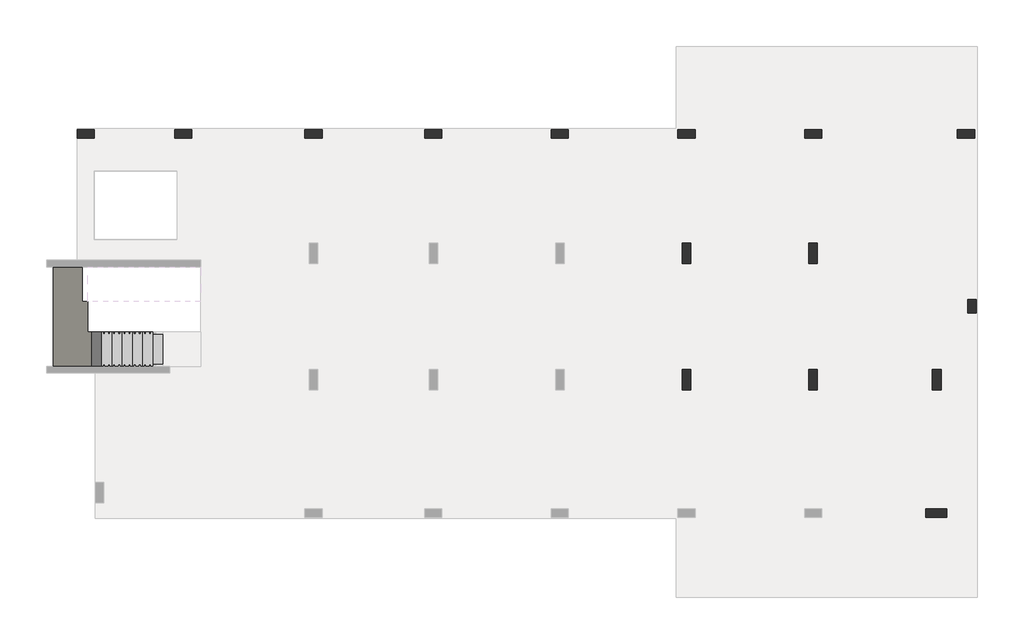
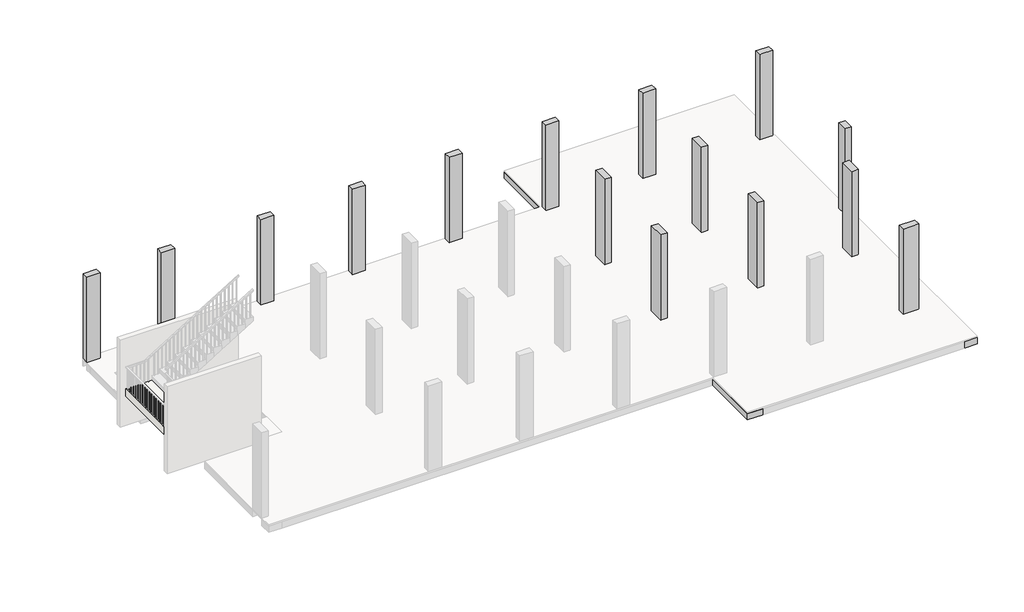
# One storey, part 4 of 5: 53 beams, 15 columns, 1 slab, 1 stair flight.
"""IFC4 building model written with IfcOpenShell, lengths in millimetres."""

from ifc_helpers import new_model, si_unit, frame, origin, place, context, project, spatial, polyline, outline, extrude, faceted_brep, element, save

model = new_model("IFC4")

# Units and contexts
model_context = context("Model", 3, world=origin())
ifc_project = project(units=[si_unit("LENGTHUNIT", "METRE", prefix="MILLI")], contexts=[model_context])

# Site, building, storey
site = spatial("IfcSite", under=ifc_project)
building = spatial("IfcBuilding", under=site)
storey = spatial("IfcBuildingStorey", under=building, Elevation=7000.0)

# Beams
placement = place(None, origin())
element("IfcBeam", 1, ObjectType="B 150 x 250 mm", at=placement, inside=storey, context=model_context, shape_type="SweptSolid", body=[
    extrude(outline(polyline([(21975.0195763, 153.106066), (21825.0195763, 153.106066), (21825.0195763, 2253.106066), (21975.0195763, 2253.106066), (21975.0195763, 153.106066)])), frame((0.0, 0.0, 6700.0), z_axis=(0.0, 0.0, 1.0), x_axis=(1.0, 0.0, 0.0)), (0.0, 0.0, 1.0), 250.0),
])
element("IfcBeam", 2, ObjectType="B 150 x 250 mm", at=placement, inside=storey, context=model_context, shape_type="SweptSolid", body=[
    extrude(outline(polyline([(22525.0195763, 153.106066), (22375.0195763, 153.106066), (22375.0195763, 2253.106066), (22525.0195763, 2253.106066), (22525.0195763, 153.106066)])), frame((0.0, 0.0, 6700.0), z_axis=(0.0, 0.0, 1.0), x_axis=(1.0, 0.0, 0.0)), (0.0, 0.0, 1.0), 250.0),
])
element("IfcBeam", 3, ObjectType="B 150 x 250 mm", at=placement, inside=storey, context=model_context, shape_type="SweptSolid", body=[
    extrude(outline(polyline([(23075.0195763, 153.106066), (22925.0195763, 153.106066), (22925.0195763, 2253.106066), (23075.0195763, 2253.106066), (23075.0195763, 153.106066)])), frame((0.0, 0.0, 6700.0), z_axis=(0.0, 0.0, 1.0), x_axis=(1.0, 0.0, 0.0)), (0.0, 0.0, 1.0), 250.0),
])
element("IfcBeam", 4, ObjectType="B 150 x 250 mm", at=placement, inside=storey, context=model_context, shape_type="SweptSolid", body=[
    extrude(outline(polyline([(23625.0195763, 153.106066), (23475.0195763, 153.106066), (23475.0195763, 2253.106066), (23625.0195763, 2253.106066), (23625.0195763, 153.106066)])), frame((0.0, 0.0, 6700.0), z_axis=(0.0, 0.0, 1.0), x_axis=(1.0, 0.0, 0.0)), (0.0, 0.0, 1.0), 250.0),
])
element("IfcBeam", 5, ObjectType="B 150 x 250 mm", at=placement, inside=storey, context=model_context, shape_type="SweptSolid", body=[
    extrude(outline(polyline([(24175.0195763, 153.106066), (24025.0195763, 153.106066), (24025.0195763, 2253.106066), (24175.0195763, 2253.106066), (24175.0195763, 153.106066)])), frame((0.0, 0.0, 6700.0), z_axis=(0.0, 0.0, 1.0), x_axis=(1.0, 0.0, 0.0)), (0.0, 0.0, 1.0), 250.0),
])
element("IfcBeam", 6, ObjectType="B 150 x 250 mm", at=placement, inside=storey, context=model_context, shape_type="SweptSolid", body=[
    extrude(outline(polyline([(24725.0195763, 153.106066), (24575.0195763, 153.106066), (24575.0195763, 2253.106066), (24725.0195763, 2253.106066), (24725.0195763, 153.106066)])), frame((0.0, 0.0, 6700.0), z_axis=(0.0, 0.0, 1.0), x_axis=(1.0, 0.0, 0.0)), (0.0, 0.0, 1.0), 250.0),
])
element("IfcBeam", 7, ObjectType="B 150 x 250 mm", at=placement, inside=storey, context=model_context, shape_type="SweptSolid", body=[
    extrude(outline(polyline([(25275.0195763, 153.106066), (25125.0195763, 153.106066), (25125.0195763, 2253.106066), (25275.0195763, 2253.106066), (25275.0195763, 153.106066)])), frame((0.0, 0.0, 6700.0), z_axis=(0.0, 0.0, 1.0), x_axis=(1.0, 0.0, 0.0)), (0.0, 0.0, 1.0), 250.0),
])
element("IfcBeam", 8, ObjectType="B 150 x 250 mm", at=placement, inside=storey, context=model_context, shape_type="SweptSolid", body=[
    extrude(outline(polyline([(18375.0390798, 153.106066), (18225.0390798, 153.106066), (18225.0390798, 2253.106066), (18375.0390798, 2253.106066), (18375.0390798, 153.106066)])), frame((0.0, 0.0, 6700.0), z_axis=(0.0, 0.0, 1.0), x_axis=(1.0, 0.0, 0.0)), (0.0, 0.0, 1.0), 250.0),
])
element("IfcBeam", 9, ObjectType="B 150 x 250 mm", at=placement, inside=storey, context=model_context, shape_type="SweptSolid", body=[
    extrude(outline(polyline([(18925.0390798, 153.106066), (18775.0390798, 153.106066), (18775.0390798, 2253.106066), (18925.0390798, 2253.106066), (18925.0390798, 153.106066)])), frame((0.0, 0.0, 6700.0), z_axis=(0.0, 0.0, 1.0), x_axis=(1.0, 0.0, 0.0)), (0.0, 0.0, 1.0), 250.0),
])
element("IfcBeam", 10, ObjectType="B 150 x 250 mm", at=placement, inside=storey, context=model_context, shape_type="SweptSolid", body=[
    extrude(outline(polyline([(19475.0390798, 153.106066), (19325.0390798, 153.106066), (19325.0390798, 2253.106066), (19475.0390798, 2253.106066), (19475.0390798, 153.106066)])), frame((0.0, 0.0, 6700.0), z_axis=(0.0, 0.0, 1.0), x_axis=(1.0, 0.0, 0.0)), (0.0, 0.0, 1.0), 250.0),
])
element("IfcBeam", 11, ObjectType="B 150 x 250 mm", at=placement, inside=storey, context=model_context, shape_type="SweptSolid", body=[
    extrude(outline(polyline([(20025.0390798, 153.106066), (19875.0390798, 153.106066), (19875.0390798, 2253.106066), (20025.0390798, 2253.106066), (20025.0390798, 153.106066)])), frame((0.0, 0.0, 6700.0), z_axis=(0.0, 0.0, 1.0), x_axis=(1.0, 0.0, 0.0)), (0.0, 0.0, 1.0), 250.0),
])
element("IfcBeam", 12, ObjectType="B 150 x 250 mm", at=placement, inside=storey, context=model_context, shape_type="SweptSolid", body=[
    extrude(outline(polyline([(20575.0390798, 153.106066), (20425.0390798, 153.106066), (20425.0390798, 2253.106066), (20575.0390798, 2253.106066), (20575.0390798, 153.106066)])), frame((0.0, 0.0, 6700.0), z_axis=(0.0, 0.0, 1.0), x_axis=(1.0, 0.0, 0.0)), (0.0, 0.0, 1.0), 250.0),
])
element("IfcBeam", 13, ObjectType="B 150 x 250 mm", at=placement, inside=storey, context=model_context, shape_type="SweptSolid", body=[
    extrude(outline(polyline([(21825.0195763, -346.893934), (21975.0195763, -346.893934), (21975.0195763, -3096.893934), (21825.0195763, -3096.893934), (21825.0195763, -346.893934)])), frame((0.0, 0.0, 6700.0), z_axis=(0.0, 0.0, 1.0), x_axis=(1.0, 0.0, 0.0)), (0.0, 0.0, 1.0), 250.0),
])
element("IfcBeam", 14, ObjectType="B 150 x 250 mm", at=placement, inside=storey, context=model_context, shape_type="SweptSolid", body=[
    extrude(outline(polyline([(22375.0195763, -346.893934), (22525.0195763, -346.893934), (22525.0195763, -3096.893934), (22375.0195763, -3096.893934), (22375.0195763, -346.893934)])), frame((0.0, 0.0, 6700.0), z_axis=(0.0, 0.0, 1.0), x_axis=(1.0, 0.0, 0.0)), (0.0, 0.0, 1.0), 250.0),
])
element("IfcBeam", 15, ObjectType="B 150 x 250 mm", at=placement, inside=storey, context=model_context, shape_type="SweptSolid", body=[
    extrude(outline(polyline([(22925.0195763, -346.893934), (23075.0195763, -346.893934), (23075.0195763, -3096.893934), (22925.0195763, -3096.893934), (22925.0195763, -346.893934)])), frame((0.0, 0.0, 6700.0), z_axis=(0.0, 0.0, 1.0), x_axis=(1.0, 0.0, 0.0)), (0.0, 0.0, 1.0), 250.0),
])
element("IfcBeam", 16, ObjectType="B 150 x 250 mm", at=placement, inside=storey, context=model_context, shape_type="SweptSolid", body=[
    extrude(outline(polyline([(23475.0195763, -346.893934), (23625.0195763, -346.893934), (23625.0195763, -3096.893934), (23475.0195763, -3096.893934), (23475.0195763, -346.893934)])), frame((0.0, 0.0, 6700.0), z_axis=(0.0, 0.0, 1.0), x_axis=(1.0, 0.0, 0.0)), (0.0, 0.0, 1.0), 250.0),
])
element("IfcBeam", 17, ObjectType="B 150 x 250 mm", at=placement, inside=storey, context=model_context, shape_type="SweptSolid", body=[
    extrude(outline(polyline([(24025.0195763, -346.893934), (24175.0195763, -346.893934), (24175.0195763, -3096.893934), (24025.0195763, -3096.893934), (24025.0195763, -346.893934)])), frame((0.0, 0.0, 6700.0), z_axis=(0.0, 0.0, 1.0), x_axis=(1.0, 0.0, 0.0)), (0.0, 0.0, 1.0), 250.0),
])
element("IfcBeam", 18, ObjectType="B 150 x 250 mm", at=placement, inside=storey, context=model_context, shape_type="SweptSolid", body=[
    extrude(outline(polyline([(24575.0195763, -346.893934), (24725.0195763, -346.893934), (24725.0195763, -3096.893934), (24575.0195763, -3096.893934), (24575.0195763, -346.893934)])), frame((0.0, 0.0, 6700.0), z_axis=(0.0, 0.0, 1.0), x_axis=(1.0, 0.0, 0.0)), (0.0, 0.0, 1.0), 250.0),
])
element("IfcBeam", 19, ObjectType="B 150 x 250 mm", at=placement, inside=storey, context=model_context, shape_type="SweptSolid", body=[
    extrude(outline(polyline([(25125.0195763, -346.893934), (25275.0195763, -346.893934), (25275.0195763, -3096.893934), (25125.0195763, -3096.893934), (25125.0195763, -346.893934)])), frame((0.0, 0.0, 6700.0), z_axis=(0.0, 0.0, 1.0), x_axis=(1.0, 0.0, 0.0)), (0.0, 0.0, 1.0), 250.0),
])
element("IfcBeam", 20, ObjectType="B 150 x 250 mm", at=placement, inside=storey, context=model_context, shape_type="SweptSolid", body=[
    extrude(outline(polyline([(18225.0390798, -346.893934), (18375.0390798, -346.893934), (18375.0390798, -3096.893934), (18225.0390798, -3096.893934), (18225.0390798, -346.893934)])), frame((0.0, 0.0, 6700.0), z_axis=(0.0, 0.0, 1.0), x_axis=(1.0, 0.0, 0.0)), (0.0, 0.0, 1.0), 250.0),
])
element("IfcBeam", 21, ObjectType="B 150 x 250 mm", at=placement, inside=storey, context=model_context, shape_type="SweptSolid", body=[
    extrude(outline(polyline([(18775.0390798, -346.893934), (18925.0390798, -346.893934), (18925.0390798, -3096.893934), (18775.0390798, -3096.893934), (18775.0390798, -346.893934)])), frame((0.0, 0.0, 6700.0), z_axis=(0.0, 0.0, 1.0), x_axis=(1.0, 0.0, 0.0)), (0.0, 0.0, 1.0), 250.0),
])
element("IfcBeam", 22, ObjectType="B 150 x 250 mm", at=placement, inside=storey, context=model_context, shape_type="SweptSolid", body=[
    extrude(outline(polyline([(19325.0390798, -346.893934), (19475.0390798, -346.893934), (19475.0390798, -3096.893934), (19325.0390798, -3096.893934), (19325.0390798, -346.893934)])), frame((0.0, 0.0, 6700.0), z_axis=(0.0, 0.0, 1.0), x_axis=(1.0, 0.0, 0.0)), (0.0, 0.0, 1.0), 250.0),
])
element("IfcBeam", 23, ObjectType="B 150 x 250 mm", at=placement, inside=storey, context=model_context, shape_type="SweptSolid", body=[
    extrude(outline(polyline([(19875.0390798, -346.893934), (20025.0390798, -346.893934), (20025.0390798, -3096.893934), (19875.0390798, -3096.893934), (19875.0390798, -346.893934)])), frame((0.0, 0.0, 6700.0), z_axis=(0.0, 0.0, 1.0), x_axis=(1.0, 0.0, 0.0)), (0.0, 0.0, 1.0), 250.0),
])
element("IfcBeam", 24, ObjectType="B 150 x 250 mm", at=placement, inside=storey, context=model_context, shape_type="SweptSolid", body=[
    extrude(outline(polyline([(20425.0390798, -346.893934), (20575.0390798, -346.893934), (20575.0390798, -3096.893934), (20425.0390798, -3096.893934), (20425.0390798, -346.893934)])), frame((0.0, 0.0, 6700.0), z_axis=(0.0, 0.0, 1.0), x_axis=(1.0, 0.0, 0.0)), (0.0, 0.0, 1.0), 250.0),
])
element("IfcBeam", 25, ObjectType="B 150 x 250 mm", at=placement, inside=storey, context=model_context, shape_type="SweptSolid", body=[
    extrude(outline(polyline([(21825.0195763, -3896.893934), (21975.0195763, -3896.893934), (21975.0195763, -6796.8939341), (21825.0195763, -6796.8939341), (21825.0195763, -3896.893934)])), frame((0.0, 0.0, 6700.0), z_axis=(0.0, 0.0, 1.0), x_axis=(1.0, 0.0, 0.0)), (0.0, 0.0, 1.0), 250.0),
])
element("IfcBeam", 26, ObjectType="B 150 x 250 mm", at=placement, inside=storey, context=model_context, shape_type="SweptSolid", body=[
    extrude(outline(polyline([(22375.0195763, -3896.893934), (22525.0195763, -3896.893934), (22525.0195763, -6796.8939341), (22375.0195763, -6796.8939341), (22375.0195763, -3896.893934)])), frame((0.0, 0.0, 6700.0), z_axis=(0.0, 0.0, 1.0), x_axis=(1.0, 0.0, 0.0)), (0.0, 0.0, 1.0), 250.0),
])
element("IfcBeam", 27, ObjectType="B 150 x 250 mm", at=placement, inside=storey, context=model_context, shape_type="SweptSolid", body=[
    extrude(outline(polyline([(22925.0195763, -3896.893934), (23075.0195763, -3896.893934), (23075.0195763, -6796.8939341), (22925.0195763, -6796.8939341), (22925.0195763, -3896.893934)])), frame((0.0, 0.0, 6700.0), z_axis=(0.0, 0.0, 1.0), x_axis=(1.0, 0.0, 0.0)), (0.0, 0.0, 1.0), 250.0),
])
element("IfcBeam", 28, ObjectType="B 150 x 250 mm", at=placement, inside=storey, context=model_context, shape_type="SweptSolid", body=[
    extrude(outline(polyline([(23475.0195763, -3896.893934), (23625.0195763, -3896.893934), (23625.0195763, -6796.8939341), (23475.0195763, -6796.8939341), (23475.0195763, -3896.893934)])), frame((0.0, 0.0, 6700.0), z_axis=(0.0, 0.0, 1.0), x_axis=(1.0, 0.0, 0.0)), (0.0, 0.0, 1.0), 250.0),
])
element("IfcBeam", 29, ObjectType="B 150 x 250 mm", at=placement, inside=storey, context=model_context, shape_type="SweptSolid", body=[
    extrude(outline(polyline([(24025.0195763, -3896.893934), (24175.0195763, -3896.893934), (24175.0195763, -6796.8939341), (24025.0195763, -6796.8939341), (24025.0195763, -3896.893934)])), frame((0.0, 0.0, 6700.0), z_axis=(0.0, 0.0, 1.0), x_axis=(1.0, 0.0, 0.0)), (0.0, 0.0, 1.0), 250.0),
])
element("IfcBeam", 30, ObjectType="B 150 x 250 mm", at=placement, inside=storey, context=model_context, shape_type="SweptSolid", body=[
    extrude(outline(polyline([(24575.0195763, -3896.893934), (24725.0195763, -3896.893934), (24725.0195763, -6796.8939341), (24575.0195763, -6796.8939341), (24575.0195763, -3896.893934)])), frame((0.0, 0.0, 6700.0), z_axis=(0.0, 0.0, 1.0), x_axis=(1.0, 0.0, 0.0)), (0.0, 0.0, 1.0), 250.0),
])
element("IfcBeam", 31, ObjectType="B 150 x 250 mm", at=placement, inside=storey, context=model_context, shape_type="SweptSolid", body=[
    extrude(outline(polyline([(25125.0195763, -3896.893934), (25275.0195763, -3896.893934), (25275.0195763, -6796.8939341), (25125.0195763, -6796.8939341), (25125.0195763, -3896.893934)])), frame((0.0, 0.0, 6700.0), z_axis=(0.0, 0.0, 1.0), x_axis=(1.0, 0.0, 0.0)), (0.0, 0.0, 1.0), 250.0),
])
element("IfcBeam", 32, ObjectType="B 150 x 250 mm", at=placement, inside=storey, context=model_context, shape_type="SweptSolid", body=[
    extrude(outline(polyline([(18225.0390798, -3896.893934), (18375.0390798, -3896.893934), (18375.0390798, -6796.8939341), (18225.0390798, -6796.8939341), (18225.0390798, -3896.893934)])), frame((0.0, 0.0, 6700.0), z_axis=(0.0, 0.0, 1.0), x_axis=(1.0, 0.0, 0.0)), (0.0, 0.0, 1.0), 250.0),
])
element("IfcBeam", 33, ObjectType="B 150 x 250 mm", at=placement, inside=storey, context=model_context, shape_type="SweptSolid", body=[
    extrude(outline(polyline([(18775.0390798, -3896.893934), (18925.0390798, -3896.893934), (18925.0390798, -6796.8939341), (18775.0390798, -6796.8939341), (18775.0390798, -3896.893934)])), frame((0.0, 0.0, 6700.0), z_axis=(0.0, 0.0, 1.0), x_axis=(1.0, 0.0, 0.0)), (0.0, 0.0, 1.0), 250.0),
])
element("IfcBeam", 34, ObjectType="B 150 x 250 mm", at=placement, inside=storey, context=model_context, shape_type="SweptSolid", body=[
    extrude(outline(polyline([(19325.0390798, -3896.893934), (19475.0390798, -3896.893934), (19475.0390798, -6796.8939341), (19325.0390798, -6796.8939341), (19325.0390798, -3896.893934)])), frame((0.0, 0.0, 6700.0), z_axis=(0.0, 0.0, 1.0), x_axis=(1.0, 0.0, 0.0)), (0.0, 0.0, 1.0), 250.0),
])
element("IfcBeam", 35, ObjectType="B 150 x 250 mm", at=placement, inside=storey, context=model_context, shape_type="SweptSolid", body=[
    extrude(outline(polyline([(19875.0390798, -3896.893934), (20025.0390798, -3896.893934), (20025.0390798, -6796.8939341), (19875.0390798, -6796.8939341), (19875.0390798, -3896.893934)])), frame((0.0, 0.0, 6700.0), z_axis=(0.0, 0.0, 1.0), x_axis=(1.0, 0.0, 0.0)), (0.0, 0.0, 1.0), 250.0),
])
element("IfcBeam", 36, ObjectType="B 150 x 250 mm", at=placement, inside=storey, context=model_context, shape_type="SweptSolid", body=[
    extrude(outline(polyline([(20425.0390798, -3896.893934), (20575.0390798, -3896.893934), (20575.0390798, -6796.8939341), (20425.0390798, -6796.8939341), (20425.0390798, -3896.893934)])), frame((0.0, 0.0, 6700.0), z_axis=(0.0, 0.0, 1.0), x_axis=(1.0, 0.0, 0.0)), (0.0, 0.0, 1.0), 250.0),
])
element("IfcBeam", 37, ObjectType="B 150 x 250 mm", at=placement, inside=storey, context=model_context, shape_type="SweptSolid", body=[
    extrude(outline(polyline([(22375.0195763, -7596.8939341), (22525.0195763, -7596.8939341), (22525.0195763, -10746.893934), (22375.0195763, -10746.893934), (22375.0195763, -7596.8939341)])), frame((0.0, 0.0, 6700.0), z_axis=(0.0, 0.0, 1.0), x_axis=(1.0, 0.0, 0.0)), (0.0, 0.0, 1.0), 250.0),
])
element("IfcBeam", 38, ObjectType="B 150 x 250 mm", at=placement, inside=storey, context=model_context, shape_type="SweptSolid", body=[
    extrude(outline(polyline([(22925.0195763, -7596.8939341), (23075.0195763, -7596.8939341), (23075.0195763, -10746.893934), (22925.0195763, -10746.893934), (22925.0195763, -7596.8939341)])), frame((0.0, 0.0, 6700.0), z_axis=(0.0, 0.0, 1.0), x_axis=(1.0, 0.0, 0.0)), (0.0, 0.0, 1.0), 250.0),
])
element("IfcBeam", 39, ObjectType="B 150 x 250 mm", at=placement, inside=storey, context=model_context, shape_type="SweptSolid", body=[
    extrude(outline(polyline([(23475.0195763, -7596.8939341), (23625.0195763, -7596.8939341), (23625.0195763, -10746.893934), (23475.0195763, -10746.893934), (23475.0195763, -7596.8939341)])), frame((0.0, 0.0, 6700.0), z_axis=(0.0, 0.0, 1.0), x_axis=(1.0, 0.0, 0.0)), (0.0, 0.0, 1.0), 250.0),
])
element("IfcBeam", 40, ObjectType="B 150 x 250 mm", at=placement, inside=storey, context=model_context, shape_type="SweptSolid", body=[
    extrude(outline(polyline([(24025.0195763, -7596.8939341), (24175.0195763, -7596.8939341), (24175.0195763, -10746.893934), (24025.0195763, -10746.893934), (24025.0195763, -7596.8939341)])), frame((0.0, 0.0, 6700.0), z_axis=(0.0, 0.0, 1.0), x_axis=(1.0, 0.0, 0.0)), (0.0, 0.0, 1.0), 250.0),
])
element("IfcBeam", 41, ObjectType="B 150 x 250 mm", at=placement, inside=storey, context=model_context, shape_type="SweptSolid", body=[
    extrude(outline(polyline([(24575.0195763, -7596.8939341), (24725.0195763, -7596.8939341), (24725.0195763, -10746.893934), (24575.0195763, -10746.893934), (24575.0195763, -7596.8939341)])), frame((0.0, 0.0, 6700.0), z_axis=(0.0, 0.0, 1.0), x_axis=(1.0, 0.0, 0.0)), (0.0, 0.0, 1.0), 250.0),
])
element("IfcBeam", 42, ObjectType="B 150 x 250 mm", at=placement, inside=storey, context=model_context, shape_type="SweptSolid", body=[
    extrude(outline(polyline([(25125.0195763, -7596.8939341), (25275.0195763, -7596.8939341), (25275.0195763, -10746.893934), (25125.0195763, -10746.893934), (25125.0195763, -7596.8939341)])), frame((0.0, 0.0, 6700.0), z_axis=(0.0, 0.0, 1.0), x_axis=(1.0, 0.0, 0.0)), (0.0, 0.0, 1.0), 250.0),
])
element("IfcBeam", 43, ObjectType="B 150 x 250 mm", at=placement, inside=storey, context=model_context, shape_type="SweptSolid", body=[
    extrude(outline(polyline([(24175.0195763, -13246.8939341), (24025.0195763, -13246.8939341), (24025.0195763, -11246.893934), (24175.0195763, -11246.893934), (24175.0195763, -13246.8939341)])), frame((0.0, 0.0, 6700.0), z_axis=(0.0, 0.0, 1.0), x_axis=(1.0, 0.0, 0.0)), (0.0, 0.0, 1.0), 250.0),
])
element("IfcBeam", 44, ObjectType="B 150 x 250 mm", at=placement, inside=storey, context=model_context, shape_type="SweptSolid", body=[
    extrude(outline(polyline([(24575.0195763, -11246.893934), (24725.0195763, -11246.893934), (24725.0195763, -13246.8939341), (24575.0195763, -13246.8939341), (24575.0195763, -11246.893934)])), frame((0.0, 0.0, 6700.0), z_axis=(0.0, 0.0, 1.0), x_axis=(1.0, 0.0, 0.0)), (0.0, 0.0, 1.0), 250.0),
])
element("IfcBeam", 45, ObjectType="B 150 x 250 mm", at=placement, inside=storey, context=model_context, shape_type="SweptSolid", body=[
    extrude(outline(polyline([(25275.0195763, -13246.8939341), (25125.0195763, -13246.8939341), (25125.0195763, -11246.893934), (25275.0195763, -11246.893934), (25275.0195763, -13246.8939341)])), frame((0.0, 0.0, 6700.0), z_axis=(0.0, 0.0, 1.0), x_axis=(1.0, 0.0, 0.0)), (0.0, 0.0, 1.0), 250.0),
])
element("IfcBeam", 46, ObjectType="B 150 x 250 mm", at=placement, inside=storey, context=model_context, shape_type="SweptSolid", body=[
    extrude(outline(polyline([(16175.0390798, -346.893934), (16325.0390798, -346.893934), (16325.0390798, -3096.893934), (16175.0390798, -3096.893934), (16175.0390798, -346.893934)])), frame((0.0, 0.0, 6700.0), z_axis=(0.0, 0.0, 1.0), x_axis=(1.0, 0.0, 0.0)), (0.0, 0.0, 1.0), 250.0),
])
element("IfcBeam", 47, ObjectType="B 150 x 250 mm", at=placement, inside=storey, context=model_context, shape_type="SweptSolid", body=[
    extrude(outline(polyline([(16725.0390798, -346.893934), (16875.0390798, -346.893934), (16875.0390798, -3096.893934), (16725.0390798, -3096.893934), (16725.0390798, -346.893934)])), frame((0.0, 0.0, 6700.0), z_axis=(0.0, 0.0, 1.0), x_axis=(1.0, 0.0, 0.0)), (0.0, 0.0, 1.0), 250.0),
])
element("IfcBeam", 48, ObjectType="B 150 x 250 mm", at=placement, inside=storey, context=model_context, shape_type="SweptSolid", body=[
    extrude(outline(polyline([(16175.0390798, -3896.893934), (16325.0390798, -3896.893934), (16325.0390798, -6796.8939341), (16175.0390798, -6796.8939341), (16175.0390798, -3896.893934)])), frame((0.0, 0.0, 6700.0), z_axis=(0.0, 0.0, 1.0), x_axis=(1.0, 0.0, 0.0)), (0.0, 0.0, 1.0), 250.0),
])
element("IfcBeam", 49, ObjectType="B 150 x 250 mm", at=placement, inside=storey, context=model_context, shape_type="SweptSolid", body=[
    extrude(outline(polyline([(16725.0390798, -3896.893934), (16875.0390798, -3896.893934), (16875.0390798, -6796.8939341), (16725.0390798, -6796.8939341), (16725.0390798, -3896.893934)])), frame((0.0, 0.0, 6700.0), z_axis=(0.0, 0.0, 1.0), x_axis=(1.0, 0.0, 0.0)), (0.0, 0.0, 1.0), 250.0),
])
element("IfcBeam", 50, ObjectType="B5 500 x 250 mm", at=placement, inside=storey, context=model_context, shape_type="Brep", body=[
    faceted_brep([(26050.0000727, 2553.106066, 6950.0), (26050.0000727, 2553.106066, 6700.0), (25550.0000727, 2553.106066, 6700.0), (25550.0000727, 2553.106066, 6950.0), (25550.0000727, 2253.106066, 6950.0), (25550.0000727, 153.106066, 6950.0), (25550.0000727, 125.0, 6950.0), (25966.5, 125.0, 6950.0), (25966.5, -125.0, 6950.0), (25550.0000727, -125.0, 6950.0), (25550.0000727, -346.893934, 6950.0), (25550.0000727, -3096.893934, 6950.0), (25550.0000727, -3896.893934, 6950.0), (25550.0000727, -6796.8939341, 6950.0), (25550.0000727, -7596.8939341, 6950.0), (25550.0000727, -10746.893934, 6950.0), (25550.0000727, -11246.893934, 6950.0), (25550.0000727, -13246.8939341, 6950.0), (25550.0000727, -13546.8939341, 6950.0), (26050.0000727, -13546.8939341, 6950.0), (25766.5, -4846.8939341, 6950.0), (26016.5, -4846.8939341, 6950.0), (26016.5, -5246.8939341, 6950.0), (25766.5, -5246.8939341, 6950.0), (25550.0000727, -13546.8939341, 6700.0), (25550.0000727, -125.0, 6700.0), (25550.0000727, -346.893934, 6700.0), (25550.0000727, -3096.893934, 6700.0), (25550.0000727, -3896.893934, 6700.0), (25550.0000727, -6796.8939341, 6700.0), (25550.0000727, -7596.8939341, 6700.0), (25550.0000727, -10746.893934, 6700.0), (25550.0000727, -11246.893934, 6700.0), (25550.0000727, -13246.8939341, 6700.0), (26050.0000727, -13546.8939341, 6700.0), (25966.5, -125.0, 6700.0), (25966.5, 125.0, 6700.0), (25550.0000727, 125.0, 6700.0), (25550.0000727, 153.106066, 6700.0), (25550.0000727, 2253.106066, 6700.0), (26016.5, -4846.8939341, 6700.0), (25766.5, -4846.8939341, 6700.0), (25766.5, -5246.8939341, 6700.0), (26016.5, -5246.8939341, 6700.0)], [[[0, 1, 2, 3]], [[0, 3, 4, 5, 6, 7, 8, 9, 10, 11, 12, 13, 14, 15, 16, 17, 18, 19], [20, 21, 22, 23]], [[24, 18, 17, 16, 15, 14, 13, 12, 11, 10, 9, 25, 26, 27, 28, 29, 30, 31, 32, 33]], [[2, 1, 34, 24, 33, 32, 31, 30, 29, 28, 27, 26, 25, 35, 36, 37, 38, 39], [40, 41, 42, 43]], [[1, 0, 19, 34]], [[40, 21, 20, 41]], [[41, 20, 23, 42]], [[21, 40, 43, 22]], [[8, 35, 25, 9]], [[35, 8, 7, 36]], [[36, 7, 6, 37]], [[3, 2, 39, 38, 37, 6, 5, 4]], [[22, 43, 42, 23]], [[19, 18, 24, 34]]]),
])
element("IfcBeam", 51, ObjectType="B6 600 x 250 mm", at=placement, inside=storey, context=model_context, shape_type="Brep", body=[
    faceted_brep([(17250.0390798, 2553.106066, 6950.0), (17850.0390798, 2553.106066, 6950.0), (17850.0390798, 2553.106066, 6700.0), (17250.0390798, 2553.106066, 6700.0), (17250.0390798, 153.106066, 6950.0), (17850.0390798, 153.106066, 6950.0), (17850.0390798, 2253.106066, 6950.0), (17850.0390798, 153.106066, 6700.0), (17850.0390798, 2253.106066, 6700.0), (17250.0390798, 153.106066, 6700.0)], [[[0, 1, 2, 3]], [[1, 0, 4, 5, 6]], [[2, 1, 6, 5, 7, 8]], [[3, 2, 8, 7, 9]], [[0, 3, 9, 4]], [[5, 4, 9, 7]]]),
    faceted_brep([(17250.0390798, -13546.8939341, 6950.0), (17250.0390798, -13546.8939341, 6700.0), (17850.0390798, -13546.8939341, 6700.0), (17850.0390798, -13546.8939341, 6950.0), (17250.0390798, -11246.893934, 6950.0), (17850.0390798, -11246.893934, 6950.0), (17850.0390798, -11246.893934, 6700.0), (17250.0390798, -11246.893934, 6700.0), (17850.0390798, -13246.8939341, 6950.0), (17850.0390798, -13246.8939341, 6700.0)], [[[0, 1, 2, 3]], [[4, 5, 6, 7]], [[0, 3, 8, 5, 4]], [[3, 2, 9, 6, 5, 8]], [[2, 1, 7, 6, 9]], [[1, 0, 4, 7]]]),
    faceted_brep([(17850.0390798, -10746.893934, 6950.0), (17250.0390798, -10746.893934, 6950.0), (17250.0390798, -10746.893934, 6700.0), (17850.0390798, -10746.893934, 6700.0), (17250.0390798, -7596.8939341, 6950.0), (17850.0390798, -7596.8939341, 6950.0), (17850.0390798, -7596.8939341, 6700.0), (17250.0390798, -7596.8939341, 6700.0)], [[[0, 1, 2, 3]], [[4, 5, 6, 7]], [[1, 0, 5, 4]], [[0, 3, 6, 5]], [[3, 2, 7, 6]], [[2, 1, 4, 7]]]),
    faceted_brep([(17850.0390798, -6796.8939341, 6950.0), (17250.0390798, -6796.8939341, 6950.0), (17250.0390798, -6796.8939341, 6700.0), (17850.0390798, -6796.8939341, 6700.0), (17250.0390798, -3896.893934, 6950.0), (17850.0390798, -3896.893934, 6950.0), (17850.0390798, -3896.893934, 6700.0), (17250.0390798, -3896.893934, 6700.0)], [[[0, 1, 2, 3]], [[4, 5, 6, 7]], [[1, 0, 5, 4]], [[0, 3, 6, 5]], [[3, 2, 7, 6]], [[2, 1, 4, 7]]]),
    faceted_brep([(17850.0390798, -3096.893934, 6950.0), (17250.0390798, -3096.893934, 6950.0), (17250.0390798, -3096.893934, 6700.0), (17850.0390798, -3096.893934, 6700.0), (17250.0390798, -346.893934, 6950.0), (17850.0390798, -346.893934, 6950.0), (17850.0390798, -346.893934, 6700.0), (17250.0390798, -346.893934, 6700.0)], [[[0, 1, 2, 3]], [[4, 5, 6, 7]], [[1, 0, 5, 4]], [[0, 3, 6, 5]], [[3, 2, 7, 6]], [[2, 1, 4, 7]]]),
])
element("IfcBeam", 52, ObjectType="B6 600 x 250 mm", at=placement, inside=storey, context=model_context, shape_type="Brep", body=[
    faceted_brep([(20950.0390798, 2553.106066, 6950.0), (21550.0390798, 2553.106066, 6950.0), (21550.0390798, 2553.106066, 6700.0), (20950.0390798, 2553.106066, 6700.0), (20950.0390798, 2253.106066, 6950.0), (20950.0390798, 153.106066, 6950.0), (21550.0390798, 153.106066, 6950.0), (21550.0390798, 2253.106066, 6950.0), (21550.0390798, 153.106066, 6700.0), (21550.0390798, 2253.106066, 6700.0), (20950.0390798, 153.106066, 6700.0), (20950.0390798, 2253.106066, 6700.0)], [[[0, 1, 2, 3]], [[1, 0, 4, 5, 6, 7]], [[2, 1, 7, 6, 8, 9]], [[3, 2, 9, 8, 10, 11]], [[0, 3, 11, 10, 5, 4]], [[6, 5, 10, 8]]]),
    faceted_brep([(20950.0390798, -11246.893934, 6950.0), (21550.0390798, -11246.893934, 6950.0), (21550.0390798, -11246.893934, 6700.0), (20950.0390798, -11246.893934, 6700.0), (20950.0390798, -13246.8939341, 6950.0), (21550.0390798, -13246.8939341, 6950.0), (21550.0390798, -13246.8939341, 6700.0), (20950.0390798, -13246.8939341, 6700.0)], [[[0, 1, 2, 3]], [[1, 0, 4, 5]], [[2, 1, 5, 6]], [[3, 2, 6, 7]], [[0, 3, 7, 4]], [[5, 4, 7, 6]]]),
    faceted_brep([(21550.0390798, -10746.893934, 6950.0), (20950.0390798, -10746.893934, 6950.0), (20950.0390798, -10746.893934, 6700.0), (21550.0390798, -10746.893934, 6700.0), (20950.0390798, -7596.8939341, 6950.0), (21550.0390798, -7596.8939341, 6950.0), (21550.0390798, -7596.8939341, 6700.0), (20950.0390798, -7596.8939341, 6700.0)], [[[0, 1, 2, 3]], [[4, 5, 6, 7]], [[1, 0, 5, 4]], [[0, 3, 6, 5]], [[3, 2, 7, 6]], [[2, 1, 4, 7]]]),
    faceted_brep([(21550.0390798, -6796.8939341, 6950.0), (20950.0390798, -6796.8939341, 6950.0), (20950.0390798, -6796.8939341, 6700.0), (21550.0390798, -6796.8939341, 6700.0), (20950.0390798, -3896.893934, 6950.0), (21550.0390798, -3896.893934, 6950.0), (21550.0390798, -3896.893934, 6700.0), (20950.0390798, -3896.893934, 6700.0)], [[[0, 1, 2, 3]], [[4, 5, 6, 7]], [[1, 0, 5, 4]], [[0, 3, 6, 5]], [[3, 2, 7, 6]], [[2, 1, 4, 7]]]),
    faceted_brep([(21550.0390798, -3096.893934, 6950.0), (20950.0390798, -3096.893934, 6950.0), (20950.0390798, -3096.893934, 6700.0), (21550.0390798, -3096.893934, 6700.0), (20950.0390798, -346.893934, 6950.0), (21550.0390798, -346.893934, 6950.0), (21550.0390798, -346.893934, 6700.0), (20950.0390798, -346.893934, 6700.0)], [[[0, 1, 2, 3]], [[4, 5, 6, 7]], [[1, 0, 5, 4]], [[0, 3, 6, 5]], [[3, 2, 7, 6]], [[2, 1, 4, 7]]]),
])
element("IfcBeam", 53, ObjectType="B7 300 x 250 mm", at=placement, inside=storey, context=model_context, shape_type="Brep", body=[
    faceted_brep([(25550.0000727, 2553.106066, 6950.0), (25550.0000727, 2253.106066, 6950.0), (25550.0000727, 2253.106066, 6700.0), (25550.0000727, 2553.106066, 6700.0), (21550.0390798, 2553.106066, 6950.0), (21550.0390798, 2253.106066, 6950.0), (21825.0195763, 2253.106066, 6950.0), (21975.0195763, 2253.106066, 6950.0), (22375.0195763, 2253.106066, 6950.0), (22525.0195763, 2253.106066, 6950.0), (22925.0195763, 2253.106066, 6950.0), (23075.0195763, 2253.106066, 6950.0), (23475.0195763, 2253.106066, 6950.0), (23625.0195763, 2253.106066, 6950.0), (24025.0195763, 2253.106066, 6950.0), (24175.0195763, 2253.106066, 6950.0), (24575.0195763, 2253.106066, 6950.0), (24725.0195763, 2253.106066, 6950.0), (25125.0195763, 2253.106066, 6950.0), (25275.0195763, 2253.106066, 6950.0), (21550.0390798, 2253.106066, 6700.0), (21825.0195763, 2253.106066, 6700.0), (21975.0195763, 2253.106066, 6700.0), (22375.0195763, 2253.106066, 6700.0), (22525.0195763, 2253.106066, 6700.0), (22925.0195763, 2253.106066, 6700.0), (23075.0195763, 2253.106066, 6700.0), (23475.0195763, 2253.106066, 6700.0), (23625.0195763, 2253.106066, 6700.0), (24025.0195763, 2253.106066, 6700.0), (24175.0195763, 2253.106066, 6700.0), (24575.0195763, 2253.106066, 6700.0), (24725.0195763, 2253.106066, 6700.0), (25125.0195763, 2253.106066, 6700.0), (25275.0195763, 2253.106066, 6700.0), (21550.0390798, 2553.106066, 6700.0)], [[[0, 1, 2, 3]], [[1, 0, 4, 5, 6, 7, 8, 9, 10, 11, 12, 13, 14, 15, 16, 17, 18, 19]], [[2, 1, 19, 18, 17, 16, 15, 14, 13, 12, 11, 10, 9, 8, 7, 6, 5, 20, 21, 22, 23, 24, 25, 26, 27, 28, 29, 30, 31, 32, 33, 34]], [[3, 2, 34, 33, 32, 31, 30, 29, 28, 27, 26, 25, 24, 23, 22, 21, 20, 35]], [[0, 3, 35, 4]], [[5, 4, 35, 20]]]),
    faceted_brep([(17850.0390798, 2553.106066, 6950.0), (17850.0390798, 2553.106066, 6700.0), (17850.0390798, 2253.106066, 6700.0), (17850.0390798, 2253.106066, 6950.0), (20950.0390798, 2553.106066, 6950.0), (20950.0390798, 2253.106066, 6950.0), (20950.0390798, 2253.106066, 6700.0), (20950.0390798, 2553.106066, 6700.0), (18225.0390798, 2253.106066, 6950.0), (18375.0390798, 2253.106066, 6950.0), (18775.0390798, 2253.106066, 6950.0), (18925.0390798, 2253.106066, 6950.0), (19325.0390798, 2253.106066, 6950.0), (19475.0390798, 2253.106066, 6950.0), (19875.0390798, 2253.106066, 6950.0), (20025.0390798, 2253.106066, 6950.0), (20425.0390798, 2253.106066, 6950.0), (20575.0390798, 2253.106066, 6950.0), (18225.0390798, 2253.106066, 6700.0), (18375.0390798, 2253.106066, 6700.0), (18775.0390798, 2253.106066, 6700.0), (18925.0390798, 2253.106066, 6700.0), (19325.0390798, 2253.106066, 6700.0), (19475.0390798, 2253.106066, 6700.0), (19875.0390798, 2253.106066, 6700.0), (20025.0390798, 2253.106066, 6700.0), (20425.0390798, 2253.106066, 6700.0), (20575.0390798, 2253.106066, 6700.0)], [[[0, 1, 2, 3]], [[4, 5, 6, 7]], [[0, 3, 8, 9, 10, 11, 12, 13, 14, 15, 16, 17, 5, 4]], [[3, 2, 18, 19, 20, 21, 22, 23, 24, 25, 26, 27, 6, 5, 17, 16, 15, 14, 13, 12, 11, 10, 9, 8]], [[2, 1, 7, 6, 27, 26, 25, 24, 23, 22, 21, 20, 19, 18]], [[1, 0, 4, 7]]]),
])

# Columns
element("IfcColumn", 54, ObjectType="C1 25 x 50mm", at=placement, inside=storey, context=model_context, shape_type="SweptSolid", body=[
    extrude(outline(polyline([(-250.0, 128.106066), (250.0, 128.106066), (250.0, -121.893934), (-250.0, -121.893934), (-250.0, 128.106066)])), frame((0.0, 0.0, 7000.0), z_axis=(0.0, 0.0, 1.0), x_axis=(1.0, 0.0, 0.0)), (0.0, 0.0, 1.0), 3450.0),
])
element("IfcColumn", 55, ObjectType="C1 25 x 50mm", at=placement, inside=storey, context=model_context, shape_type="SweptSolid", body=[
    extrude(outline(polyline([(2600.0, 128.106066), (3100.0, 128.106066), (3100.0, -121.893934), (2600.0, -121.893934), (2600.0, 128.106066)])), frame((0.0, 0.0, 7000.0), z_axis=(0.0, 0.0, 1.0), x_axis=(1.0, 0.0, 0.0)), (0.0, 0.0, 1.0), 3450.0),
])
element("IfcColumn", 56, ObjectType="C1 25 x 50mm", at=placement, inside=storey, context=model_context, shape_type="SweptSolid", body=[
    extrude(outline(polyline([(6400.0390798, 128.106066), (6900.0390798, 128.106066), (6900.0390798, -121.893934), (6400.0390798, -121.893934), (6400.0390798, 128.106066)])), frame((0.0, 0.0, 7000.0), z_axis=(0.0, 0.0, 1.0), x_axis=(1.0, 0.0, 0.0)), (0.0, 0.0, 1.0), 3450.0),
])
element("IfcColumn", 57, ObjectType="C1 25 x 50mm", at=placement, inside=storey, context=model_context, shape_type="SweptSolid", body=[
    extrude(outline(polyline([(9900.0390798, 128.106066), (10400.0390798, 128.106066), (10400.0390798, -121.893934), (9900.0390798, -121.893934), (9900.0390798, 128.106066)])), frame((0.0, 0.0, 7000.0), z_axis=(0.0, 0.0, 1.0), x_axis=(1.0, 0.0, 0.0)), (0.0, 0.0, 1.0), 3450.0),
])
element("IfcColumn", 58, ObjectType="C1 25 x 50mm", at=placement, inside=storey, context=model_context, shape_type="SweptSolid", body=[
    extrude(outline(polyline([(13600.0390798, 128.106066), (14100.0390798, 128.106066), (14100.0390798, -121.893934), (13600.0390798, -121.893934), (13600.0390798, 128.106066)])), frame((0.0, 0.0, 7000.0), z_axis=(0.0, 0.0, 1.0), x_axis=(1.0, 0.0, 0.0)), (0.0, 0.0, 1.0), 3450.0),
])
element("IfcColumn", 59, ObjectType="C1 25 x 50mm", at=placement, inside=storey, context=model_context, shape_type="SweptSolid", body=[
    extrude(outline(polyline([(17300.0390798, 128.106066), (17800.0390798, 128.106066), (17800.0390798, -121.893934), (17300.0390798, -121.893934), (17300.0390798, 128.106066)])), frame((0.0, 0.0, 7000.0), z_axis=(0.0, 0.0, 1.0), x_axis=(1.0, 0.0, 0.0)), (0.0, 0.0, 1.0), 3450.0),
])
element("IfcColumn", 60, ObjectType="C1 25 x 50mm", at=placement, inside=storey, context=model_context, shape_type="SweptSolid", body=[
    extrude(outline(polyline([(21000.0390798, 128.106066), (21500.0390798, 128.106066), (21500.0390798, -121.893934), (21000.0390798, -121.893934), (21000.0390798, 128.106066)])), frame((0.0, 0.0, 7000.0), z_axis=(0.0, 0.0, 1.0), x_axis=(1.0, 0.0, 0.0)), (0.0, 0.0, 1.0), 3450.0),
])
element("IfcColumn", 61, ObjectType="C1 25 x 50mm", at=placement, inside=storey, context=model_context, shape_type="Brep", body=[
    faceted_brep([(25466.5, 125.0, 7000.0), (25966.5, 125.0, 7000.0), (25966.5, -125.0, 7000.0), (25466.5, -125.0, 7000.0), (25466.5, -125.0, 10450.0), (25466.5, 125.0, 10450.0), (25966.5, -125.0, 10200.0), (25966.5, -125.0, 10450.0), (25550.0000727, -125.0, 10450.0), (25966.5, 125.0, 10200.0), (25966.5, 125.0, 10450.0), (25550.0000727, 125.0, 10450.0)], [[[0, 1, 2, 3]], [[0, 3, 4, 5]], [[3, 2, 6, 7, 8, 4]], [[2, 1, 9, 10, 7, 6]], [[1, 0, 5, 11, 10, 9]], [[5, 4, 8, 7, 10, 11]]]),
])
element("IfcColumn", 62, ObjectType="C2 25 x 60 mm", at=placement, inside=storey, context=model_context, shape_type="Brep", body=[
    faceted_brep([(17675.0390798, -3195.451857, 7000.0), (17675.0390798, -3795.451857, 7000.0), (17425.0390798, -3795.451857, 7000.0), (17425.0390798, -3195.451857, 7000.0), (17425.0390798, -3195.451857, 10200.0), (17425.0390798, -3195.451857, 10450.0), (17675.0390798, -3195.451857, 10450.0), (17675.0390798, -3195.451857, 10200.0), (17425.0390798, -3795.451857, 10200.0), (17425.0390798, -3795.451857, 10450.0), (17675.0390798, -3795.451857, 10200.0), (17675.0390798, -3795.451857, 10450.0)], [[[0, 1, 2, 3]], [[0, 3, 4, 5, 6, 7]], [[3, 2, 8, 9, 5, 4]], [[2, 1, 10, 11, 9, 8]], [[1, 0, 7, 6, 11, 10]], [[6, 5, 9, 11]]]),
])
element("IfcColumn", 63, ObjectType="C2 25 x 60 mm", at=placement, inside=storey, context=model_context, shape_type="Brep", body=[
    faceted_brep([(24985.2850434, -6896.8939341, 7000.0), (24985.2850434, -7496.8939341, 7000.0), (24735.2850434, -7496.8939341, 7000.0), (24735.2850434, -6896.8939341, 7000.0), (24735.2850434, -6896.8939341, 10200.0), (24735.2850434, -6896.8939341, 10450.0), (24985.2850434, -6896.8939341, 10450.0), (24985.2850434, -6896.8939341, 10200.0), (24735.2850434, -7496.8939341, 10200.0), (24735.2850434, -7496.8939341, 10450.0), (24985.2850434, -7496.8939341, 10200.0), (24985.2850434, -7496.8939341, 10450.0)], [[[0, 1, 2, 3]], [[0, 3, 4, 5, 6, 7]], [[3, 2, 8, 9, 5, 4]], [[2, 1, 10, 11, 9, 8]], [[1, 0, 7, 6, 11, 10]], [[6, 5, 9, 11]]]),
])
element("IfcColumn", 64, ObjectType="C2 25 x 60 mm", at=placement, inside=storey, context=model_context, shape_type="Brep", body=[
    faceted_brep([(21375.0390798, -6896.8939341, 7000.0), (21375.0390798, -7496.8939341, 7000.0), (21125.0390798, -7496.8939341, 7000.0), (21125.0390798, -6896.8939341, 7000.0), (21125.0390798, -6896.8939341, 10200.0), (21125.0390798, -6896.8939341, 10450.0), (21375.0390798, -6896.8939341, 10450.0), (21375.0390798, -6896.8939341, 10200.0), (21125.0390798, -7496.8939341, 10200.0), (21125.0390798, -7496.8939341, 10450.0), (21375.0390798, -7496.8939341, 10200.0), (21375.0390798, -7496.8939341, 10450.0)], [[[0, 1, 2, 3]], [[0, 3, 4, 5, 6, 7]], [[3, 2, 8, 9, 5, 4]], [[2, 1, 10, 11, 9, 8]], [[1, 0, 7, 6, 11, 10]], [[6, 5, 9, 11]]]),
])
element("IfcColumn", 65, ObjectType="C2 25 x 60 mm", at=placement, inside=storey, context=model_context, shape_type="Brep", body=[
    faceted_brep([(17675.0390798, -6896.8939341, 7000.0), (17675.0390798, -7496.8939341, 7000.0), (17425.0390798, -7496.8939341, 7000.0), (17425.0390798, -6896.8939341, 7000.0), (17425.0390798, -6896.8939341, 10200.0), (17425.0390798, -6896.8939341, 10450.0), (17675.0390798, -6896.8939341, 10450.0), (17675.0390798, -6896.8939341, 10200.0), (17425.0390798, -7496.8939341, 10200.0), (17425.0390798, -7496.8939341, 10450.0), (17675.0390798, -7496.8939341, 10200.0), (17675.0390798, -7496.8939341, 10450.0)], [[[0, 1, 2, 3]], [[0, 3, 4, 5, 6, 7]], [[3, 2, 8, 9, 5, 4]], [[2, 1, 10, 11, 9, 8]], [[1, 0, 7, 6, 11, 10]], [[6, 5, 9, 11]]]),
])
element("IfcColumn", 66, ObjectType="C2 25 x 60 mm", at=placement, inside=storey, context=model_context, shape_type="SweptSolid", body=[
    extrude(outline(polyline([(24546.5, -10970.893934), (25146.5, -10970.893934), (25146.5, -11220.893934), (24546.5, -11220.893934), (24546.5, -10970.893934)])), frame((0.0, 0.0, 7000.0), z_axis=(0.0, 0.0, 1.0), x_axis=(1.0, 0.0, 0.0)), (0.0, 0.0, 1.0), 3450.0),
])
element("IfcColumn", 67, ObjectType="C2 25 x 60 mm", at=placement, inside=storey, context=model_context, shape_type="Brep", body=[
    faceted_brep([(21375.0390798, -3195.451857, 7000.0), (21375.0390798, -3795.451857, 7000.0), (21125.0390798, -3795.451857, 7000.0), (21125.0390798, -3195.451857, 7000.0), (21125.0390798, -3195.451857, 10200.0), (21125.0390798, -3195.451857, 10450.0), (21375.0390798, -3195.451857, 10450.0), (21375.0390798, -3195.451857, 10200.0), (21125.0390798, -3795.451857, 10200.0), (21125.0390798, -3795.451857, 10450.0), (21375.0390798, -3795.451857, 10200.0), (21375.0390798, -3795.451857, 10450.0)], [[[0, 1, 2, 3]], [[0, 3, 4, 5, 6, 7]], [[3, 2, 8, 9, 5, 4]], [[2, 1, 10, 11, 9, 8]], [[1, 0, 7, 6, 11, 10]], [[6, 5, 9, 11]]]),
])
element("IfcColumn", 68, ObjectType="C3 25 x 40 mm", at=placement, inside=storey, context=model_context, shape_type="Brep", body=[
    faceted_brep([(26016.5, -4846.8939341, 7000.0), (26016.5, -5246.8939341, 7000.0), (25766.5, -5246.8939341, 7000.0), (25766.5, -4846.8939341, 7000.0), (25766.5, -4846.8939341, 10200.0), (25766.5, -4846.8939341, 10450.0), (26016.5, -4846.8939341, 10450.0), (26016.5, -4846.8939341, 10200.0), (25766.5, -5246.8939341, 10200.0), (25766.5, -5246.8939341, 10450.0), (26016.5, -5246.8939341, 10200.0), (26016.5, -5246.8939341, 10450.0)], [[[0, 1, 2, 3]], [[0, 3, 4, 5, 6, 7]], [[3, 2, 8, 9, 5, 4]], [[2, 1, 10, 11, 9, 8]], [[1, 0, 7, 6, 11, 10]], [[6, 5, 9, 11]]]),
])

# Slab
element("IfcSlab", 69, at=placement, inside=storey, context=model_context, shape_type="Brep", body=[
    faceted_brep([(150.0, -6796.8939341, 8473.6842105), (150.0, -5796.8939341, 8473.6842105), (51.908717, -5796.8939341, 8473.6842105), (50.0, -5796.8939341, 8473.6842105), (50.0, -4896.893934, 8473.6842105), (50.0, -3896.893934, 8473.6842105), (-151.908717, -3896.893934, 8473.6842105), (-950.0, -3896.893934, 8473.6842105), (-950.0, -6796.8939341, 8473.6842105), (51.908717, -6796.8939341, 8473.6842105), (150.0, -6796.8939341, 8289.4736842), (150.0, -6796.8939341, 8113.452721), (150.0, -5796.8939341, 8113.452721), (150.0, -5796.8939341, 8289.4736842), (51.908717, -5796.8939341, 8173.6842105), (50.0, -5796.8939341, 8173.6842105), (50.0, -4896.893934, 8173.6842105), (50.0, -4896.893934, 8297.6632473), (50.0, -3896.893934, 8297.6632473), (-151.908717, -3896.893934, 8173.6842105), (-950.0, -3896.893934, 8173.6842105), (-950.0, -6796.8939341, 8173.6842105), (51.908717, -6796.8939341, 8173.6842105), (-151.908717, -4896.893934, 8173.6842105)], [[[0, 1, 2, 3, 4, 5, 6, 7, 8, 9]], [[1, 0, 10, 11, 12, 13]], [[1, 13, 12, 14, 15, 3, 2]], [[4, 3, 15, 16, 17]], [[5, 4, 17, 18]], [[5, 18, 19, 20, 7, 6]], [[8, 7, 20, 21]], [[11, 10, 0, 9, 8, 21, 22]], [[23, 16, 15, 14, 22, 21, 20, 19]], [[16, 23, 17]], [[22, 14, 12, 11]], [[23, 19, 18, 17]]]),
])

# Stair flight
element("IfcStairFlight", 70, ObjectType="Nez de marche 25 mm", at=placement, inside=storey, context=model_context, shape_type="Brep", body=[
    faceted_brep([(1950.0, -6796.8939341, 7184.2105263), (2250.0, -6796.8939341, 7184.2105263), (2250.0, -5796.8939341, 7184.2105263), (1950.0, -5796.8939341, 7184.2105263), (1950.0, -6796.8939341, 7008.1895631), (1963.3372884, -6796.8939341, 7000.0), (2250.0, -6796.8939341, 7000.0), (2250.0, -5796.8939341, 7000.0), (1963.3372884, -5796.8939341, 7000.0), (1950.0, -5796.8939341, 7008.1895631), (1650.0, -6796.8939341, 7368.4210526), (1950.0, -6796.8939341, 7368.4210526), (1950.0, -5796.8939341, 7368.4210526), (1650.0, -5796.8939341, 7368.4210526), (1650.0, -6796.8939341, 7192.4000894), (1650.0, -5796.8939341, 7192.4000894), (1350.0, -6796.8939341, 7552.6315789), (1650.0, -6796.8939341, 7552.6315789), (1650.0, -5796.8939341, 7552.6315789), (1350.0, -5796.8939341, 7552.6315789), (1350.0, -6796.8939341, 7376.6106157), (1350.0, -5796.8939341, 7376.6106157), (1050.0, -6796.8939341, 7736.8421053), (1350.0, -6796.8939341, 7736.8421053), (1350.0, -5796.8939341, 7736.8421053), (1050.0, -5796.8939341, 7736.8421053), (1050.0, -6796.8939341, 7560.821142), (1050.0, -5796.8939341, 7560.821142), (750.0, -6796.8939341, 7921.0526316), (1050.0, -6796.8939341, 7921.0526316), (1050.0, -5796.8939341, 7921.0526316), (750.0, -5796.8939341, 7921.0526316), (750.0, -6796.8939341, 7745.0316683), (750.0, -5796.8939341, 7745.0316683), (450.0, -6796.8939341, 8105.2631579), (750.0, -6796.8939341, 8105.2631579), (750.0, -5796.8939341, 8105.2631579), (450.0, -5796.8939341, 8105.2631579), (450.0, -6796.8939341, 7929.2421947), (450.0, -5796.8939341, 7929.2421947), (150.0, -6796.8939341, 8113.452721), (150.0, -5796.8939341, 8113.452721), (150.0, -6796.8939341, 8289.4736842), (450.0, -6796.8939341, 8289.4736842), (450.0, -5796.8939341, 8289.4736842), (150.0, -5796.8939341, 8289.4736842)], [[[0, 1, 2, 3]], [[1, 0, 4, 5, 6]], [[2, 1, 6, 7]], [[3, 2, 7, 8, 9]], [[10, 11, 12, 13]], [[11, 10, 14, 4, 0]], [[0, 3, 12, 11]], [[13, 12, 3, 9, 15]], [[16, 17, 18, 19]], [[17, 16, 20, 14, 10]], [[10, 13, 18, 17]], [[19, 18, 13, 15, 21]], [[22, 23, 24, 25]], [[23, 22, 26, 20, 16]], [[16, 19, 24, 23]], [[25, 24, 19, 21, 27]], [[28, 29, 30, 31]], [[29, 28, 32, 26, 22]], [[22, 25, 30, 29]], [[31, 30, 25, 27, 33]], [[34, 35, 36, 37]], [[35, 34, 38, 32, 28]], [[28, 31, 36, 35]], [[37, 36, 31, 33, 39]], [[7, 6, 5, 8]], [[8, 5, 4, 14, 20, 26, 32, 38, 40, 41, 39, 33, 27, 21, 15, 9]], [[42, 43, 44, 45]], [[43, 42, 40, 38, 34]], [[34, 37, 44, 43]], [[45, 44, 37, 39, 41]], [[42, 45, 41, 40]]]),
])

save(model, "model.ifc")
